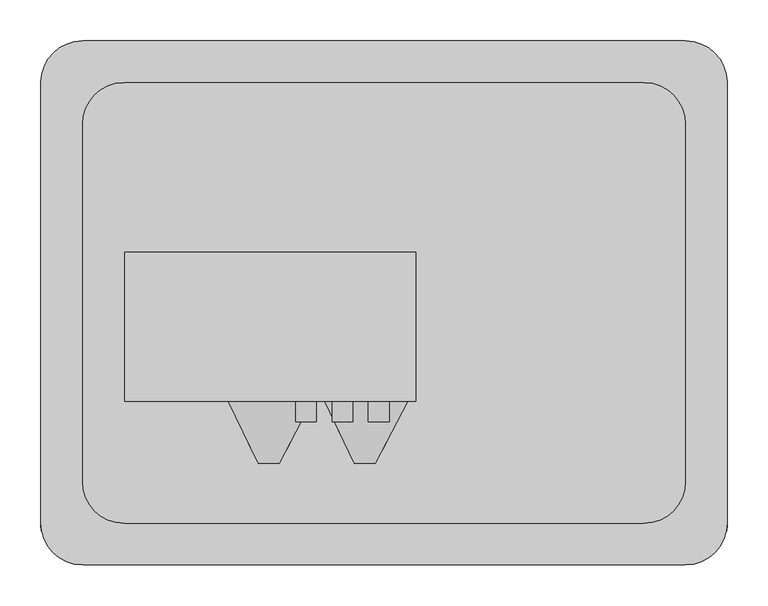
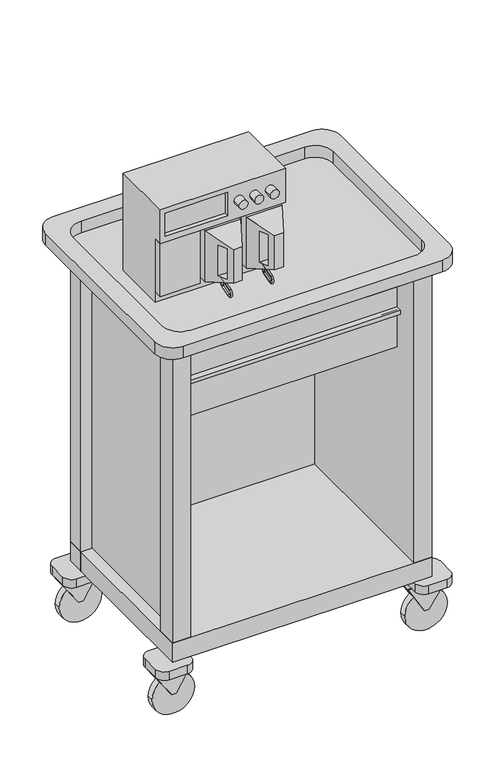
"""IFC4 building model written with IfcOpenShell, lengths in millimetres: proxy geometry."""

from ifc_helpers import new_model, si_unit, point, frame, frame_2d, origin, place, context, project, spatial, polyline, circle_curve, ellipse_curve, trimmed, segment, composite_curve, outline, extrude, faceted_brep, source, transform, mapped, element, save
from ifc_brep_helpers import plane_surface, cylinder_surface, revolved_surface, advanced_brep


def specialty_equipment_c300f8e5(model_context):
    return source(origin(), model_context, "Body", "SolidModel", [
        extrude(outline(polyline([(138.1125, 419.1), (138.1125, 306.3875), (60.3746094, 352.3753906), (60.3746094, 365.0753906), (138.1125, 419.1)])), frame((0.0, 238.125, 0.0), z_axis=(0.0, 1.0, 0.0), x_axis=(0.0, 0.0, 1.0)), (0.0, 0.0, 1.0), 3.175),
        extrude(outline(polyline([(138.1125, 419.1), (138.1125, 306.3875), (60.3746094, 352.3753906), (60.3746094, 365.0753906), (138.1125, 419.1)])), frame((0.0, 215.9, 0.0), z_axis=(0.0, 1.0, 0.0), x_axis=(0.0, 0.0, 1.0)), (0.0, 0.0, 1.0), 3.175),
        extrude(outline(composite_curve([segment(trimmed(circle_curve(frame_2d((60.3746094, 358.7253906)), 60.3746094), [point((60.3746094, 419.1))], [point((60.3746094, 298.3507813))], False, "CARTESIAN"), True, "CONTINUOUS"), segment(trimmed(circle_curve(frame_2d((60.3746094, 358.7253906)), 60.3746094), [point((60.3746094, 298.3507813))], [point((60.3746094, 419.1))], False, "CARTESIAN"), True, "CONTINUOUS")], self_intersect=False)), frame((0.0, 219.075, 0.0), z_axis=(0.0, 1.0, 0.0), x_axis=(0.0, 0.0, 1.0)), (0.0, 0.0, 1.0), 19.05),
        extrude(outline(composite_curve([segment(polyline([(393.7, 177.8), (342.9, 177.8)]), True, "CONTINUOUS"), segment(trimmed(circle_curve(frame_2d((342.9, 203.2)), 25.4), [point((342.9, 177.8))], [point((317.5, 203.2))], False, "CARTESIAN"), True, "CONTINUOUS"), segment(polyline([(317.5, 203.2), (317.5, 254.0)]), True, "CONTINUOUS"), segment(trimmed(circle_curve(frame_2d((342.9, 254.0)), 25.4), [point((317.5, 254.0))], [point((342.9, 279.4))], False, "CARTESIAN"), True, "CONTINUOUS"), segment(polyline([(342.9, 279.4), (393.7, 279.4)]), True, "CONTINUOUS"), segment(trimmed(circle_curve(frame_2d((393.7, 254.0)), 25.4), [point((393.7, 279.4))], [point((419.1, 254.0))], False, "CARTESIAN"), True, "CONTINUOUS"), segment(polyline([(419.1, 254.0), (419.1, 203.2)]), True, "CONTINUOUS"), segment(trimmed(circle_curve(frame_2d((393.7, 203.2)), 25.4), [point((419.1, 203.2))], [point((393.7, 177.8))], False, "CARTESIAN"), True, "CONTINUOUS")], self_intersect=False)), frame((0.0, 0.0, 138.1125), z_axis=(0.0, 0.0, 1.0), x_axis=(1.0, 0.0, 0.0)), (0.0, 0.0, 1.0), 25.4),
        extrude(outline(polyline([(138.1125, 419.1), (138.1125, 306.3875), (60.3746094, 352.3753906), (60.3746094, 365.0753906), (138.1125, 419.1)])), frame((0.0, -219.075, 0.0), z_axis=(0.0, 1.0, 0.0), x_axis=(0.0, 0.0, 1.0)), (0.0, 0.0, 1.0), 3.175),
        extrude(outline(polyline([(138.1125, 419.1), (138.1125, 306.3875), (60.3746094, 352.3753906), (60.3746094, 365.0753906), (138.1125, 419.1)])), frame((0.0, -241.3, 0.0), z_axis=(0.0, 1.0, 0.0), x_axis=(0.0, 0.0, 1.0)), (0.0, 0.0, 1.0), 3.175),
        extrude(outline(composite_curve([segment(trimmed(circle_curve(frame_2d((60.3746094, 358.7253906)), 60.3746094), [point((60.3746094, 419.1))], [point((60.3746094, 298.3507813))], False, "CARTESIAN"), True, "CONTINUOUS"), segment(trimmed(circle_curve(frame_2d((60.3746094, 358.7253906)), 60.3746094), [point((60.3746094, 298.3507813))], [point((60.3746094, 419.1))], False, "CARTESIAN"), True, "CONTINUOUS")], self_intersect=False)), frame((0.0, -238.125, 0.0), z_axis=(0.0, 1.0, 0.0), x_axis=(0.0, 0.0, 1.0)), (0.0, 0.0, 1.0), 19.05),
        extrude(outline(composite_curve([segment(polyline([(393.7, -279.4), (342.9, -279.4)]), True, "CONTINUOUS"), segment(trimmed(circle_curve(frame_2d((342.9, -254.0)), 25.4), [point((342.9, -279.4))], [point((317.5, -254.0))], False, "CARTESIAN"), True, "CONTINUOUS"), segment(polyline([(317.5, -254.0), (317.5, -203.2)]), True, "CONTINUOUS"), segment(trimmed(circle_curve(frame_2d((342.9, -203.2)), 25.4), [point((317.5, -203.2))], [point((342.9, -177.8))], False, "CARTESIAN"), True, "CONTINUOUS"), segment(polyline([(342.9, -177.8), (393.7, -177.8)]), True, "CONTINUOUS"), segment(trimmed(circle_curve(frame_2d((393.7, -203.2)), 25.4), [point((393.7, -177.8))], [point((419.1, -203.2))], False, "CARTESIAN"), True, "CONTINUOUS"), segment(polyline([(419.1, -203.2), (419.1, -254.0)]), True, "CONTINUOUS"), segment(trimmed(circle_curve(frame_2d((393.7, -254.0)), 25.4), [point((419.1, -254.0))], [point((393.7, -279.4))], False, "CARTESIAN"), True, "CONTINUOUS")], self_intersect=False)), frame((0.0, 0.0, 138.1125), z_axis=(0.0, 0.0, 1.0), x_axis=(1.0, 0.0, 0.0)), (0.0, 0.0, 1.0), 25.4),
        extrude(outline(polyline([(138.1125, -419.1), (60.3746094, -365.0753906), (60.3746094, -352.3753906), (138.1125, -306.3875), (138.1125, -419.1)])), frame((0.0, -219.075, 0.0), z_axis=(0.0, 1.0, 0.0), x_axis=(0.0, 0.0, 1.0)), (0.0, 0.0, 1.0), 3.175),
        extrude(outline(polyline([(138.1125, -419.1), (60.3746094, -365.0753906), (60.3746094, -352.3753906), (138.1125, -306.3875), (138.1125, -419.1)])), frame((0.0, -241.3, 0.0), z_axis=(0.0, 1.0, 0.0), x_axis=(0.0, 0.0, 1.0)), (0.0, 0.0, 1.0), 3.175),
        extrude(outline(composite_curve([segment(trimmed(circle_curve(frame_2d((60.3746094, -358.7253906)), 60.3746094), [point((60.3746094, -419.1))], [point((60.3746094, -298.3507812))], False, "CARTESIAN"), True, "CONTINUOUS"), segment(trimmed(circle_curve(frame_2d((60.3746094, -358.7253906)), 60.3746094), [point((60.3746094, -298.3507812))], [point((60.3746094, -419.1))], False, "CARTESIAN"), True, "CONTINUOUS")], self_intersect=False)), frame((0.0, -238.125, 0.0), z_axis=(0.0, 1.0, 0.0), x_axis=(0.0, 0.0, 1.0)), (0.0, 0.0, 1.0), 19.05),
        extrude(outline(composite_curve([segment(trimmed(circle_curve(frame_2d((-393.7, -254.0)), 25.4), [point((-393.7, -279.4))], [point((-419.1, -254.0))], False, "CARTESIAN"), True, "CONTINUOUS"), segment(polyline([(-419.1, -254.0), (-419.1, -203.2)]), True, "CONTINUOUS"), segment(trimmed(circle_curve(frame_2d((-393.7, -203.2)), 25.4), [point((-419.1, -203.2))], [point((-393.7, -177.8))], False, "CARTESIAN"), True, "CONTINUOUS"), segment(polyline([(-393.7, -177.8), (-342.9, -177.8)]), True, "CONTINUOUS"), segment(trimmed(circle_curve(frame_2d((-342.9, -203.2)), 25.4), [point((-342.9, -177.8))], [point((-317.5, -203.2))], False, "CARTESIAN"), True, "CONTINUOUS"), segment(polyline([(-317.5, -203.2), (-317.5, -254.0)]), True, "CONTINUOUS"), segment(trimmed(circle_curve(frame_2d((-342.9, -254.0)), 25.4), [point((-317.5, -254.0))], [point((-342.9, -279.4))], False, "CARTESIAN"), True, "CONTINUOUS"), segment(polyline([(-342.9, -279.4), (-393.7, -279.4)]), True, "CONTINUOUS")], self_intersect=False)), frame((0.0, 0.0, 138.1125), z_axis=(0.0, 0.0, 1.0), x_axis=(1.0, 0.0, 0.0)), (0.0, 0.0, 1.0), 25.4),
        extrude(outline(polyline([(138.1125, -419.1), (60.3746094, -365.0753906), (60.3746094, -352.3753906), (138.1125, -306.3875), (138.1125, -419.1)])), frame((0.0, 238.125, 0.0), z_axis=(0.0, 1.0, 0.0), x_axis=(0.0, 0.0, 1.0)), (0.0, 0.0, 1.0), 3.175),
        extrude(outline(polyline([(138.1125, -419.1), (60.3746094, -365.0753906), (60.3746094, -352.3753906), (138.1125, -306.3875), (138.1125, -419.1)])), frame((0.0, 215.9, 0.0), z_axis=(0.0, 1.0, 0.0), x_axis=(0.0, 0.0, 1.0)), (0.0, 0.0, 1.0), 3.175),
        extrude(outline(composite_curve([segment(trimmed(circle_curve(frame_2d((60.3746094, -358.7253906)), 60.3746094), [point((60.3746094, -419.1))], [point((60.3746094, -298.3507812))], False, "CARTESIAN"), True, "CONTINUOUS"), segment(trimmed(circle_curve(frame_2d((60.3746094, -358.7253906)), 60.3746094), [point((60.3746094, -298.3507812))], [point((60.3746094, -419.1))], False, "CARTESIAN"), True, "CONTINUOUS")], self_intersect=False)), frame((0.0, 219.075, 0.0), z_axis=(0.0, 1.0, 0.0), x_axis=(0.0, 0.0, 1.0)), (0.0, 0.0, 1.0), 19.05),
        extrude(outline(composite_curve([segment(trimmed(circle_curve(frame_2d((-393.7, 203.2)), 25.4), [point((-393.7, 177.8))], [point((-419.1, 203.2))], False, "CARTESIAN"), True, "CONTINUOUS"), segment(polyline([(-419.1, 203.2), (-419.1, 254.0)]), True, "CONTINUOUS"), segment(trimmed(circle_curve(frame_2d((-393.7, 254.0)), 25.4), [point((-419.1, 254.0))], [point((-393.7, 279.4))], False, "CARTESIAN"), True, "CONTINUOUS"), segment(polyline([(-393.7, 279.4), (-342.9, 279.4)]), True, "CONTINUOUS"), segment(trimmed(circle_curve(frame_2d((-342.9, 254.0)), 25.4), [point((-342.9, 279.4))], [point((-317.5, 254.0))], False, "CARTESIAN"), True, "CONTINUOUS"), segment(polyline([(-317.5, 254.0), (-317.5, 203.2)]), True, "CONTINUOUS"), segment(trimmed(circle_curve(frame_2d((-342.9, 203.2)), 25.4), [point((-317.5, 203.2))], [point((-342.9, 177.8))], False, "CARTESIAN"), True, "CONTINUOUS"), segment(polyline([(-342.9, 177.8), (-393.7, 177.8)]), True, "CONTINUOUS")], self_intersect=False)), frame((0.0, 0.0, 138.1125), z_axis=(0.0, 0.0, 1.0), x_axis=(1.0, 0.0, 0.0)), (0.0, 0.0, 1.0), 25.4),
        extrude(outline(polyline([(368.3, -250.825), (-368.3, -250.825), (-368.3, 250.825), (368.3, 250.825), (368.3, -250.825)])), frame((0.0, 0.0, 163.5125), z_axis=(0.0, 0.0, 1.0), x_axis=(1.0, 0.0, 0.0)), (0.0, 0.0, 1.0), 58.2295),
        extrude(outline(polyline([(368.3, -250.825), (-368.3, -250.825), (-368.3, 250.825), (368.3, 250.825), (368.3, -250.825)])), frame((0.0, 0.0, 1072.642), z_axis=(0.0, 0.0, 1.0), x_axis=(1.0, 0.0, 0.0)), (0.0, 0.0, 1.0), 24.4179663),
        extrude(outline(composite_curve([segment(trimmed(circle_curve(frame_2d((368.3, 287.575)), 50.8), [point((368.3, 338.375))], [point((419.1, 287.575))], False, "CARTESIAN"), True, "CONTINUOUS"), segment(polyline([(419.1, 287.575), (419.1, -250.825)]), True, "CONTINUOUS"), segment(trimmed(circle_curve(frame_2d((368.3, -250.825)), 50.8), [point((419.1, -250.825))], [point((368.3, -301.625))], False, "CARTESIAN"), True, "CONTINUOUS"), segment(polyline([(368.3, -301.625), (-368.3, -301.625)]), True, "CONTINUOUS"), segment(trimmed(circle_curve(frame_2d((-368.3, -250.825)), 50.8), [point((-368.3, -301.625))], [point((-419.1, -250.825))], False, "CARTESIAN"), True, "CONTINUOUS"), segment(polyline([(-419.1, -250.825), (-419.1, 287.575)]), True, "CONTINUOUS"), segment(trimmed(circle_curve(frame_2d((-368.3, 287.575)), 50.8), [point((-419.1, 287.575))], [point((-368.3, 338.375))], False, "CARTESIAN"), True, "CONTINUOUS"), segment(polyline([(-368.3, 338.375), (368.3, 338.375)]), True, "CONTINUOUS")], self_intersect=False), holes=[composite_curve([segment(polyline([(-317.5, -250.825), (317.5, -250.825)]), True, "CONTINUOUS"), segment(trimmed(circle_curve(frame_2d((317.5, -200.025)), 50.8), [point((317.5, -250.825))], [point((368.3, -200.025))], True, "CARTESIAN"), True, "CONTINUOUS"), segment(polyline([(368.3, -200.025), (368.3, 236.775)]), True, "CONTINUOUS"), segment(trimmed(circle_curve(frame_2d((317.5, 236.775)), 50.8), [point((368.3, 236.775))], [point((317.5, 287.575))], True, "CARTESIAN"), True, "CONTINUOUS"), segment(polyline([(317.5, 287.575), (-317.5, 287.575)]), True, "CONTINUOUS"), segment(trimmed(circle_curve(frame_2d((-317.5, 236.775)), 50.8), [point((-317.5, 287.575))], [point((-368.3, 236.775))], True, "CARTESIAN"), True, "CONTINUOUS"), segment(polyline([(-368.3, 236.775), (-368.3, -200.025)]), True, "CONTINUOUS"), segment(trimmed(circle_curve(frame_2d((-317.5, -200.025)), 50.8), [point((-368.3, -200.025))], [point((-317.5, -250.825))], True, "CARTESIAN"), True, "CONTINUOUS")], self_intersect=False)]), frame((0.0, 0.0, 1107.9757812), z_axis=(0.0, 0.0, 1.0), x_axis=(1.0, 0.0, 0.0)), (0.0, 0.0, 1.0), 35.0242188),
        extrude(outline(polyline([(-317.5, 250.825), (-317.5, 244.475), (317.5, 244.475), (317.5, 250.825), (368.3, 250.825), (368.3, 200.025), (336.55, 200.025), (336.55, -200.025), (368.3, -200.025), (368.3, -250.825), (317.5, -250.825), (317.5, 238.5553757), (-317.5, 238.5553757), (-317.5, -250.825), (-368.3, -250.825), (-368.3, -191.7898438), (-336.55, -191.7898438), (-336.55, 200.025), (-368.3, 200.025), (-368.3, 250.825), (-317.5, 250.825)])), frame((0.0, 0.0, 163.5125), z_axis=(0.0, 0.0, 1.0), x_axis=(1.0, 0.0, 0.0)), (0.0, 0.0, 1.0), 909.1295),
        faceted_brep([(-10.6602722, -177.8, 1282.7797422), (-36.0602722, -177.8, 1282.7797422), (-36.0602722, -177.8, 1181.1797422), (-10.6602722, -177.8, 1181.1797422), (29.0921264, -101.6, 1305.157624), (29.0921264, -101.6, 1152.757624), (-72.5078736, -101.6, 1152.757624), (-72.5078736, -101.6, 1305.157624), (-55.7519714, -136.6311049, 1278.170124), (-44.4409634, -160.278719, 1278.170124), (-44.4409634, -160.278719, 1185.8845934), (-55.7519714, -136.6311049, 1185.8845934), (-1.5196823, -160.278719, 1278.170124), (10.8169237, -136.6311049, 1278.170124), (10.8169237, -136.6311049, 1185.8845934), (-1.5196823, -160.278719, 1185.8845934)], [[[0, 1, 2, 3]], [[4, 5, 6, 7]], [[1, 0, 4, 7]], [[2, 1, 7, 6], [8, 9, 10, 11]], [[3, 2, 6, 5]], [[0, 3, 5, 4], [12, 13, 14, 15]], [[8, 13, 12, 9]], [[9, 12, 15, 10]], [[10, 15, 14, 11]], [[13, 8, 11, 14]]]),
        faceted_brep([(-128.1352722, -177.8, 1282.7797422), (-153.5352722, -177.8, 1282.7797422), (-153.5352722, -177.8, 1181.1797422), (-128.1352722, -177.8, 1181.1797422), (-88.3828736, -101.6, 1305.157624), (-88.3828736, -101.6, 1152.757624), (-189.9828736, -101.6, 1152.757624), (-189.9828736, -101.6, 1305.157624), (-173.2269714, -136.6311049, 1278.170124), (-161.9159634, -160.278719, 1278.170124), (-161.9159634, -160.278719, 1185.8845934), (-173.2269714, -136.6311049, 1185.8845934), (-118.9946823, -160.278719, 1278.170124), (-106.6580763, -136.6311049, 1278.170124), (-106.6580763, -136.6311049, 1185.8845934), (-118.9946823, -160.278719, 1185.8845934)], [[[0, 1, 2, 3]], [[4, 5, 6, 7]], [[1, 0, 4, 7]], [[2, 1, 7, 6], [8, 9, 10, 11]], [[3, 2, 6, 5]], [[0, 3, 5, 4], [12, 13, 14, 15]], [[8, 13, 12, 9]], [[9, 12, 15, 10]], [[10, 15, 14, 11]], [[13, 8, 11, 14]]]),
        faceted_brep([(38.6171264, 80.1135865, 1413.107624), (38.6171264, -101.6, 1413.107624), (38.6171264, -101.6, 1311.507624), (38.6171264, -76.2, 1311.507624), (38.6171264, -76.2, 1121.007624), (38.6171264, 80.1135865, 1121.007624), (-316.9828736, 80.1135865, 1413.107624), (-316.9828736, 80.1135865, 1121.007624), (-316.9828736, -76.2, 1121.007624), (-316.9828736, -76.2, 1311.507624), (-316.9828736, -101.6, 1311.507624), (-316.9828736, -101.6, 1413.107624), (-303.148102, -101.6, 1398.3748295), (-125.348102, -101.6, 1398.3748295), (-125.348102, -101.6, 1328.5248295), (-303.148102, -101.6, 1328.5248295), (-125.348102, -88.9, 1398.3748295), (-303.148102, -88.9, 1398.3748295), (-303.148102, -88.9, 1328.5248295), (-125.348102, -88.9, 1328.5248295)], [[[0, 1, 2, 3, 4, 5]], [[6, 7, 8, 9, 10, 11]], [[1, 0, 6, 11]], [[2, 1, 11, 10], [12, 13, 14, 15]], [[3, 2, 10, 9]], [[4, 3, 9, 8]], [[5, 4, 8, 7]], [[0, 5, 7, 6]], [[16, 17, 18, 19]], [[17, 16, 13, 12]], [[18, 17, 12, 15]], [[19, 18, 15, 14]], [[16, 19, 14, 13]]]),
        advanced_brep(
        [(-24.039891, -88.9, 1152.757624), (-19.3758562, -88.9, 1152.757624), (-24.039891, -88.9, 1151.1063768), (-19.3758562, -88.9, 1151.1063768), (-19.3758562, -93.3934397, 1145.0338416), (-24.039891, -93.3934397, 1145.0338416), (-24.039891, -137.4802816, 1131.5551414), (-19.3758562, -137.4802816, 1131.5551414), (-19.3758562, -131.6756293, 1112.5689793), (-24.039891, -131.6756293, 1112.5689793), (-24.039891, -102.0245653, 1121.6342193), (-19.3758562, -102.0245653, 1121.6342193), (-19.3758562, -99.3909976, 1123.2166264), (-24.039891, -99.3909976, 1123.2166264), (-24.039891, -84.4098719, 1138.1977521), (-19.3758562, -84.4098719, 1138.1977521), (-19.3758562, -79.9197439, 1140.057624), (-24.039891, -79.9197439, 1140.057624), (-24.039891, -76.2, 1140.057624), (-19.3758562, -76.2, 1140.057624)],
        [
            (0, 1, circle_curve(frame((-21.7078736, -88.9, 1152.757624), z_axis=(0.0, 0.0, 1.0), x_axis=(1.0, 0.0, 0.0)), 2.3320174)),
            (1, 0, circle_curve(frame((-21.7078736, -88.9, 1152.757624), z_axis=(0.0, 0.0, 1.0), x_axis=(1.0, 0.0, 0.0)), 2.3320174)),
            (0, 2),
            (2, 3, circle_curve(frame((-21.7078736, -88.9, 1151.1063768), z_axis=(0.0, 0.0, 1.0), x_axis=(1.0, 0.0, 0.0)), 2.3320174)),
            (3, 1),
            (3, 2, circle_curve(frame((-21.7078736, -88.9, 1151.1063768), z_axis=(0.0, 0.0, 1.0), x_axis=(1.0, 0.0, 0.0)), 2.3320174)),
            (4, 3, circle_curve(frame((-19.3758562, -95.25, 1151.1063768), z_axis=(1.0, 0.0, 0.0), x_axis=(0.0, 1.0, 0.0)), 6.35)),
            (2, 5, circle_curve(frame((-24.039891, -95.25, 1151.1063768), z_axis=(-1.0, 0.0, 0.0), x_axis=(0.0, 1.0, 0.0)), 6.35)),
            (5, 4, circle_curve(frame((-21.7078736, -93.3934397, 1145.0338416), z_axis=(0.0, 0.9563047559630374, 0.2923717047227304), x_axis=(1.0, 0.0, 0.0)), 2.3320174)),
            (4, 5, circle_curve(frame((-21.7078736, -93.3934397, 1145.0338416), z_axis=(0.0, 0.9563047559630374, 0.2923717047227304), x_axis=(1.0, 0.0, 0.0)), 2.3320174)),
            (5, 6),
            (6, 7, circle_curve(frame((-21.7078736, -137.4802816, 1131.5551414), z_axis=(0.0, 0.9563047559630355, 0.2923717047227365), x_axis=(1.0, 0.0, 0.0)), 2.3320174)),
            (7, 4),
            (7, 6, circle_curve(frame((-21.7078736, -137.4802816, 1131.5551414), z_axis=(0.0, 0.9563047559630355, 0.2923717047227365), x_axis=(1.0, 0.0, 0.0)), 2.3320174)),
            (8, 7, circle_curve(frame((-19.3758562, -134.5779555, 1122.0620603), z_axis=(-1.0, 0.0, 0.0), x_axis=(0.0, -0.29237170472273516, 0.956304755963036)), 9.9268366)),
            (6, 9, circle_curve(frame((-24.039891, -134.5779555, 1122.0620603), z_axis=(1.0, 0.0, 0.0), x_axis=(0.0, -0.29237170472273516, 0.956304755963036)), 9.9268366)),
            (9, 8, circle_curve(frame((-21.7078736, -131.6756293, 1112.5689793), z_axis=(0.0, -0.9563047559630359, -0.2923717047227355), x_axis=(1.0, 0.0, 0.0)), 2.3320174)),
            (8, 9, circle_curve(frame((-21.7078736, -131.6756293, 1112.5689793), z_axis=(0.0, -0.956304755963036, -0.29237170472273505), x_axis=(1.0, 0.0, 0.0)), 2.3320174)),
            (9, 10),
            (10, 11, circle_curve(frame((-21.7078736, -102.0245653, 1121.6342193), z_axis=(0.0, -0.9563047559630355, -0.29237170472273655), x_axis=(1.0, 0.0, 0.0)), 2.3320174)),
            (11, 8),
            (11, 10, circle_curve(frame((-21.7078736, -102.0245653, 1121.6342193), z_axis=(0.0, -0.9563047559630355, -0.29237170472273655), x_axis=(1.0, 0.0, 0.0)), 2.3320174)),
            (12, 11, circle_curve(frame((-19.3758562, -103.8811256, 1127.7067545), z_axis=(-1.0, 0.0, 0.0), x_axis=(0.0, 0.2923717047227333, -0.9563047559630365)), 6.35)),
            (10, 13, circle_curve(frame((-24.039891, -103.8811256, 1127.7067545), z_axis=(1.0, 0.0, 0.0), x_axis=(0.0, 0.2923717047227333, -0.9563047559630365)), 6.35)),
            (13, 12, circle_curve(frame((-21.7078736, -99.3909976, 1123.2166264), z_axis=(0.0, -0.7071067811865359, -0.7071067811865592), x_axis=(1.0, 0.0, 0.0)), 2.3320174)),
            (12, 13, circle_curve(frame((-21.7078736, -99.3909976, 1123.2166264), z_axis=(0.0, -0.7071067811865359, -0.7071067811865592), x_axis=(1.0, 0.0, 0.0)), 2.3320174)),
            (13, 14),
            (14, 15, circle_curve(frame((-21.7078736, -84.4098719, 1138.1977521), z_axis=(0.0, -0.7071067811865482, -0.7071067811865469), x_axis=(1.0, 0.0, 0.0)), 2.3320174)),
            (15, 12),
            (15, 14, circle_curve(frame((-21.7078736, -84.4098719, 1138.1977521), z_axis=(0.0, -0.7071067811865482, -0.7071067811865469), x_axis=(1.0, 0.0, 0.0)), 2.3320174)),
            (16, 15, circle_curve(frame((-19.3758562, -79.9197439, 1133.707624), z_axis=(1.0, 0.0, 0.0), x_axis=(0.0, -0.7071067811865487, 0.7071067811865464)), 6.35)),
            (14, 17, circle_curve(frame((-24.039891, -79.9197439, 1133.707624), z_axis=(-1.0, 0.0, 0.0), x_axis=(0.0, -0.7071067811865487, 0.7071067811865464)), 6.35)),
            (17, 16, circle_curve(frame((-21.7078736, -79.9197439, 1140.057624), z_axis=(0.0, -1.0, 0.0), x_axis=(1.0, 0.0, 0.0)), 2.3320174)),
            (16, 17, circle_curve(frame((-21.7078736, -79.9197439, 1140.057624), z_axis=(0.0, -1.0, 0.0), x_axis=(1.0, 0.0, 0.0)), 2.3320174)),
            (18, 19, circle_curve(frame((-21.7078736, -76.2, 1140.057624), z_axis=(0.0, 1.0, 0.0), x_axis=(1.0, 0.0, 0.0)), 2.3320174)),
            (19, 18, circle_curve(frame((-21.7078736, -76.2, 1140.057624), z_axis=(0.0, 1.0, 0.0), x_axis=(1.0, 0.0, 0.0)), 2.3320174)),
            (17, 18),
            (19, 16),
        ],
        [
            plane_surface(frame((-21.7078736, -88.9, 1152.757624), z_axis=(0.0, 0.0, 1.0), x_axis=(1.0, 0.0, 0.0))),
            cylinder_surface(frame((-21.7078736, -88.9, 1152.757624), z_axis=(0.0, 0.0, 1.0), x_axis=(1.0, 0.0, 0.0)), 2.3320174),
            revolved_surface(trimmed(ellipse_curve(frame((-21.7078736, -88.9, 1151.1063768), z_axis=(0.0, 0.0, 1.0), x_axis=(1.0, 0.0, 0.0)), 2.3320174, 2.3320174), [point((-24.039891, -88.9, 1151.1063768))], [point((-19.3758562, -88.9, 1151.1063768))], True, "CARTESIAN"), (-21.7078736, -95.25, 1151.1063768), (-1.0, 0.0, 0.0)),
            revolved_surface(trimmed(ellipse_curve(frame((-21.7078736, -88.9, 1151.1063768), z_axis=(0.0, 0.0, 1.0), x_axis=(1.0, 0.0, 0.0)), 2.3320174, 2.3320174), [point((-19.3758562, -88.9, 1151.1063768))], [point((-24.039891, -88.9, 1151.1063768))], True, "CARTESIAN"), (-21.7078736, -95.25, 1151.1063768), (-1.0, 0.0, 0.0)),
            cylinder_surface(frame((-21.7078736, -93.3934397, 1145.0338416), z_axis=(0.0, 0.9563047559630355, 0.2923717047227365), x_axis=(1.0, 0.0, 0.0)), 2.3320174),
            revolved_surface(trimmed(ellipse_curve(frame((-21.7078736, -137.4802816, 1131.5551414), z_axis=(0.0, 0.956304755963036, 0.29237170472273516), x_axis=(1.0, 0.0, 0.0)), 2.3320174, 2.3320174), [point((-24.039891, -137.4802816, 1131.5551414))], [point((-19.3758562, -137.4802816, 1131.5551414))], True, "CARTESIAN"), (-21.7078736, -134.5779555, 1122.0620603), (1.0, 0.0, 0.0)),
            revolved_surface(trimmed(ellipse_curve(frame((-21.7078736, -137.4802816, 1131.5551414), z_axis=(0.0, 0.956304755963036, 0.29237170472273516), x_axis=(1.0, 0.0, 0.0)), 2.3320174, 2.3320174), [point((-19.3758562, -137.4802816, 1131.5551414))], [point((-24.039891, -137.4802816, 1131.5551414))], True, "CARTESIAN"), (-21.7078736, -134.5779555, 1122.0620603), (1.0, 0.0, 0.0)),
            cylinder_surface(frame((-21.7078736, -131.6756293, 1112.5689793), z_axis=(0.0, -0.9563047559630355, -0.29237170472273655), x_axis=(1.0, 0.0, 0.0)), 2.3320174),
            revolved_surface(trimmed(ellipse_curve(frame((-21.7078736, -102.0245653, 1121.6342193), z_axis=(0.0, -0.9563047559630365, -0.29237170472273344), x_axis=(1.0, 0.0, 0.0)), 2.3320174, 2.3320174), [point((-24.039891, -102.0245653, 1121.6342193))], [point((-19.3758562, -102.0245653, 1121.6342193))], True, "CARTESIAN"), (-21.7078736, -103.8811256, 1127.7067545), (1.0, 0.0, 0.0)),
            revolved_surface(trimmed(ellipse_curve(frame((-21.7078736, -102.0245653, 1121.6342193), z_axis=(0.0, -0.9563047559630365, -0.29237170472273344), x_axis=(1.0, 0.0, 0.0)), 2.3320174, 2.3320174), [point((-19.3758562, -102.0245653, 1121.6342193))], [point((-24.039891, -102.0245653, 1121.6342193))], True, "CARTESIAN"), (-21.7078736, -103.8811256, 1127.7067545), (1.0, 0.0, 0.0)),
            cylinder_surface(frame((-21.7078736, -99.3909976, 1123.2166264), z_axis=(0.0, -0.7071067811865482, -0.7071067811865469), x_axis=(1.0, 0.0, 0.0)), 2.3320174),
            revolved_surface(trimmed(ellipse_curve(frame((-21.7078736, -84.4098719, 1138.1977521), z_axis=(0.0, -0.7071067811865465, -0.7071067811865486), x_axis=(1.0, 0.0, 0.0)), 2.3320174, 2.3320174), [point((-24.039891, -84.4098719, 1138.1977521))], [point((-19.3758562, -84.4098719, 1138.1977521))], True, "CARTESIAN"), (-21.7078736, -79.9197439, 1133.707624), (-1.0, 0.0, 0.0)),
            revolved_surface(trimmed(ellipse_curve(frame((-21.7078736, -84.4098719, 1138.1977521), z_axis=(0.0, -0.7071067811865465, -0.7071067811865486), x_axis=(1.0, 0.0, 0.0)), 2.3320174, 2.3320174), [point((-19.3758562, -84.4098719, 1138.1977521))], [point((-24.039891, -84.4098719, 1138.1977521))], True, "CARTESIAN"), (-21.7078736, -79.9197439, 1133.707624), (-1.0, 0.0, 0.0)),
            plane_surface(frame((-21.7078736, -76.2, 1140.057624), z_axis=(0.0, 1.0, 0.0), x_axis=(1.0, 0.0, 0.0))),
            cylinder_surface(frame((-21.7078736, -79.9197439, 1140.057624), z_axis=(0.0, -1.0, 0.0), x_axis=(1.0, 0.0, 0.0)), 2.3320174),
        ],
        [
            (0, [[1, 2]]),
            (1, [[-1, 3, 4, 5]]),
            (1, [[-2, -5, 6, -3]]),
            (2, [[7, -4, 8, 9]]),
            (3, [[-8, -6, -7, 10]]),
            (4, [[-9, 11, 12, 13]]),
            (4, [[-10, -13, 14, -11]]),
            (5, [[15, -12, 16, 17]]),
            (6, [[-16, -14, -15, 18]]),
            (7, [[-17, 19, 20, 21]]),
            (7, [[-18, -21, 22, -19]]),
            (8, [[23, -20, 24, 25]]),
            (9, [[-24, -22, -23, 26]]),
            (10, [[-25, 27, 28, 29]]),
            (10, [[-26, -29, 30, -27]]),
            (11, [[31, -28, 32, 33]]),
            (12, [[-32, -30, -31, 34]]),
            (13, [[35, 36]]),
            (14, [[-33, 37, -36, 38]]),
            (14, [[-34, -38, -35, -37]]),
        ],
    ),
        advanced_brep(
        [(-141.514891, -88.9, 1152.757624), (-136.8508562, -88.9, 1152.757624), (-141.514891, -88.9, 1151.1063768), (-136.8508562, -88.9, 1151.1063768), (-136.8508562, -93.3934397, 1145.0338416), (-141.514891, -93.3934397, 1145.0338416), (-141.514891, -137.4802816, 1131.5551414), (-136.8508562, -137.4802816, 1131.5551414), (-136.8508562, -131.6756293, 1112.5689793), (-141.514891, -131.6756293, 1112.5689793), (-141.514891, -102.0245653, 1121.6342193), (-136.8508562, -102.0245653, 1121.6342193), (-136.8508562, -99.3909976, 1123.2166264), (-141.514891, -99.3909976, 1123.2166264), (-141.514891, -84.4098719, 1138.1977521), (-136.8508562, -84.4098719, 1138.1977521), (-136.8508562, -79.9197439, 1140.057624), (-141.514891, -79.9197439, 1140.057624), (-141.514891, -76.2, 1140.057624), (-136.8508562, -76.2, 1140.057624)],
        [
            (0, 1, circle_curve(frame((-139.1828736, -88.9, 1152.757624), z_axis=(0.0, 0.0, 1.0), x_axis=(1.0, 0.0, 0.0)), 2.3320174)),
            (1, 0, circle_curve(frame((-139.1828736, -88.9, 1152.757624), z_axis=(0.0, 0.0, 1.0), x_axis=(1.0, 0.0, 0.0)), 2.3320174)),
            (0, 2),
            (2, 3, circle_curve(frame((-139.1828736, -88.9, 1151.1063768), z_axis=(0.0, 0.0, 1.0), x_axis=(1.0, 0.0, 0.0)), 2.3320174)),
            (3, 1),
            (3, 2, circle_curve(frame((-139.1828736, -88.9, 1151.1063768), z_axis=(0.0, 0.0, 1.0), x_axis=(1.0, 0.0, 0.0)), 2.3320174)),
            (4, 3, circle_curve(frame((-136.8508562, -95.25, 1151.1063768), z_axis=(1.0, 0.0, 0.0), x_axis=(0.0, 1.0, 0.0)), 6.35)),
            (2, 5, circle_curve(frame((-141.514891, -95.25, 1151.1063768), z_axis=(-1.0, 0.0, 0.0), x_axis=(0.0, 1.0, 0.0)), 6.35)),
            (5, 4, circle_curve(frame((-139.1828736, -93.3934397, 1145.0338416), z_axis=(0.0, 0.9563047559630374, 0.2923717047227304), x_axis=(1.0, 0.0, 0.0)), 2.3320174)),
            (4, 5, circle_curve(frame((-139.1828736, -93.3934397, 1145.0338416), z_axis=(0.0, 0.9563047559630374, 0.2923717047227304), x_axis=(1.0, 0.0, 0.0)), 2.3320174)),
            (5, 6),
            (6, 7, circle_curve(frame((-139.1828736, -137.4802816, 1131.5551414), z_axis=(0.0, 0.9563047559630355, 0.2923717047227365), x_axis=(1.0, 0.0, 0.0)), 2.3320174)),
            (7, 4),
            (7, 6, circle_curve(frame((-139.1828736, -137.4802816, 1131.5551414), z_axis=(0.0, 0.9563047559630355, 0.2923717047227365), x_axis=(1.0, 0.0, 0.0)), 2.3320174)),
            (8, 7, circle_curve(frame((-136.8508562, -134.5779555, 1122.0620603), z_axis=(-1.0, 0.0, 0.0), x_axis=(0.0, -0.29237170472273516, 0.956304755963036)), 9.9268366)),
            (6, 9, circle_curve(frame((-141.514891, -134.5779555, 1122.0620603), z_axis=(1.0, 0.0, 0.0), x_axis=(0.0, -0.29237170472273516, 0.956304755963036)), 9.9268366)),
            (9, 8, circle_curve(frame((-139.1828736, -131.6756293, 1112.5689793), z_axis=(0.0, -0.956304755963036, -0.29237170472273505), x_axis=(1.0, 0.0, 0.0)), 2.3320174)),
            (8, 9, circle_curve(frame((-139.1828736, -131.6756293, 1112.5689793), z_axis=(0.0, -0.956304755963036, -0.29237170472273505), x_axis=(1.0, 0.0, 0.0)), 2.3320174)),
            (9, 10),
            (10, 11, circle_curve(frame((-139.1828736, -102.0245653, 1121.6342193), z_axis=(0.0, -0.9563047559630355, -0.29237170472273655), x_axis=(1.0, 0.0, 0.0)), 2.3320174)),
            (11, 8),
            (11, 10, circle_curve(frame((-139.1828736, -102.0245653, 1121.6342193), z_axis=(0.0, -0.9563047559630355, -0.29237170472273655), x_axis=(1.0, 0.0, 0.0)), 2.3320174)),
            (12, 11, circle_curve(frame((-136.8508562, -103.8811256, 1127.7067545), z_axis=(-1.0, 0.0, 0.0), x_axis=(0.0, 0.2923717047227333, -0.9563047559630365)), 6.35)),
            (10, 13, circle_curve(frame((-141.514891, -103.8811256, 1127.7067545), z_axis=(1.0, 0.0, 0.0), x_axis=(0.0, 0.2923717047227333, -0.9563047559630365)), 6.35)),
            (13, 12, circle_curve(frame((-139.1828736, -99.3909976, 1123.2166264), z_axis=(0.0, -0.7071067811865426, -0.7071067811865526), x_axis=(1.0, 0.0, 0.0)), 2.3320174)),
            (12, 13, circle_curve(frame((-139.1828736, -99.3909976, 1123.2166264), z_axis=(0.0, -0.7071067811865426, -0.7071067811865526), x_axis=(1.0, 0.0, 0.0)), 2.3320174)),
            (13, 14),
            (14, 15, circle_curve(frame((-139.1828736, -84.4098719, 1138.1977521), z_axis=(0.0, -0.7071067811865481, -0.707106781186547), x_axis=(1.0, 0.0, 0.0)), 2.3320174)),
            (15, 12),
            (15, 14, circle_curve(frame((-139.1828736, -84.4098719, 1138.1977521), z_axis=(0.0, -0.7071067811865481, -0.707106781186547), x_axis=(1.0, 0.0, 0.0)), 2.3320174)),
            (16, 15, circle_curve(frame((-136.8508562, -79.9197439, 1133.707624), z_axis=(1.0, 0.0, 0.0), x_axis=(0.0, -0.7071067811865502, 0.7071067811865448)), 6.35)),
            (14, 17, circle_curve(frame((-141.514891, -79.9197439, 1133.707624), z_axis=(-1.0, 0.0, 0.0), x_axis=(0.0, -0.7071067811865502, 0.7071067811865448)), 6.35)),
            (17, 16, circle_curve(frame((-139.1828736, -79.9197439, 1140.057624), z_axis=(0.0, -1.0, 0.0), x_axis=(1.0, 0.0, 0.0)), 2.3320174)),
            (16, 17, circle_curve(frame((-139.1828736, -79.9197439, 1140.057624), z_axis=(0.0, -1.0, 0.0), x_axis=(1.0, 0.0, 0.0)), 2.3320174)),
            (18, 19, circle_curve(frame((-139.1828736, -76.2, 1140.057624), z_axis=(0.0, 1.0, 0.0), x_axis=(1.0, 0.0, 0.0)), 2.3320174)),
            (19, 18, circle_curve(frame((-139.1828736, -76.2, 1140.057624), z_axis=(0.0, 1.0, 0.0), x_axis=(1.0, 0.0, 0.0)), 2.3320174)),
            (17, 18),
            (19, 16),
        ],
        [
            plane_surface(frame((-139.1828736, -88.9, 1152.757624), z_axis=(0.0, 0.0, 1.0), x_axis=(1.0, 0.0, 0.0))),
            cylinder_surface(frame((-139.1828736, -88.9, 1152.757624), z_axis=(0.0, 0.0, 1.0), x_axis=(1.0, 0.0, 0.0)), 2.3320174),
            revolved_surface(trimmed(ellipse_curve(frame((-139.1828736, -88.9, 1151.1063768), z_axis=(0.0, 0.0, 1.0), x_axis=(1.0, 0.0, 0.0)), 2.3320174, 2.3320174), [point((-141.514891, -88.9, 1151.1063768))], [point((-136.8508562, -88.9, 1151.1063768))], True, "CARTESIAN"), (-139.1828736, -95.25, 1151.1063768), (-1.0, 0.0, 0.0)),
            revolved_surface(trimmed(ellipse_curve(frame((-139.1828736, -88.9, 1151.1063768), z_axis=(0.0, 0.0, 1.0), x_axis=(1.0, 0.0, 0.0)), 2.3320174, 2.3320174), [point((-136.8508562, -88.9, 1151.1063768))], [point((-141.514891, -88.9, 1151.1063768))], True, "CARTESIAN"), (-139.1828736, -95.25, 1151.1063768), (-1.0, 0.0, 0.0)),
            cylinder_surface(frame((-139.1828736, -93.3934397, 1145.0338416), z_axis=(0.0, 0.9563047559630355, 0.2923717047227365), x_axis=(1.0, 0.0, 0.0)), 2.3320174),
            revolved_surface(trimmed(ellipse_curve(frame((-139.1828736, -137.4802816, 1131.5551414), z_axis=(0.0, 0.956304755963036, 0.29237170472273516), x_axis=(1.0, 0.0, 0.0)), 2.3320174, 2.3320174), [point((-141.514891, -137.4802816, 1131.5551414))], [point((-136.8508562, -137.4802816, 1131.5551414))], True, "CARTESIAN"), (-139.1828736, -134.5779555, 1122.0620603), (1.0, 0.0, 0.0)),
            revolved_surface(trimmed(ellipse_curve(frame((-139.1828736, -137.4802816, 1131.5551414), z_axis=(0.0, 0.956304755963036, 0.29237170472273516), x_axis=(1.0, 0.0, 0.0)), 2.3320174, 2.3320174), [point((-136.8508562, -137.4802816, 1131.5551414))], [point((-141.514891, -137.4802816, 1131.5551414))], True, "CARTESIAN"), (-139.1828736, -134.5779555, 1122.0620603), (1.0, 0.0, 0.0)),
            cylinder_surface(frame((-139.1828736, -131.6756293, 1112.5689793), z_axis=(0.0, -0.9563047559630355, -0.29237170472273655), x_axis=(1.0, 0.0, 0.0)), 2.3320174),
            revolved_surface(trimmed(ellipse_curve(frame((-139.1828736, -102.0245653, 1121.6342193), z_axis=(0.0, -0.9563047559630365, -0.29237170472273344), x_axis=(1.0, 0.0, 0.0)), 2.3320174, 2.3320174), [point((-141.514891, -102.0245653, 1121.6342193))], [point((-136.8508562, -102.0245653, 1121.6342193))], True, "CARTESIAN"), (-139.1828736, -103.8811256, 1127.7067545), (1.0, 0.0, 0.0)),
            revolved_surface(trimmed(ellipse_curve(frame((-139.1828736, -102.0245653, 1121.6342193), z_axis=(0.0, -0.9563047559630365, -0.29237170472273344), x_axis=(1.0, 0.0, 0.0)), 2.3320174, 2.3320174), [point((-136.8508562, -102.0245653, 1121.6342193))], [point((-141.514891, -102.0245653, 1121.6342193))], True, "CARTESIAN"), (-139.1828736, -103.8811256, 1127.7067545), (1.0, 0.0, 0.0)),
            cylinder_surface(frame((-139.1828736, -99.3909976, 1123.2166264), z_axis=(0.0, -0.7071067811865481, -0.707106781186547), x_axis=(1.0, 0.0, 0.0)), 2.3320174),
            revolved_surface(trimmed(ellipse_curve(frame((-139.1828736, -84.4098719, 1138.1977521), z_axis=(0.0, -0.7071067811865447, -0.7071067811865503), x_axis=(1.0, 0.0, 0.0)), 2.3320174, 2.3320174), [point((-141.514891, -84.4098719, 1138.1977521))], [point((-136.8508562, -84.4098719, 1138.1977521))], True, "CARTESIAN"), (-139.1828736, -79.9197439, 1133.707624), (-1.0, 0.0, 0.0)),
            revolved_surface(trimmed(ellipse_curve(frame((-139.1828736, -84.4098719, 1138.1977521), z_axis=(0.0, -0.7071067811865447, -0.7071067811865503), x_axis=(1.0, 0.0, 0.0)), 2.3320174, 2.3320174), [point((-136.8508562, -84.4098719, 1138.1977521))], [point((-141.514891, -84.4098719, 1138.1977521))], True, "CARTESIAN"), (-139.1828736, -79.9197439, 1133.707624), (-1.0, 0.0, 0.0)),
            plane_surface(frame((-139.1828736, -76.2, 1140.057624), z_axis=(0.0, 1.0, 0.0), x_axis=(1.0, 0.0, 0.0))),
            cylinder_surface(frame((-139.1828736, -79.9197439, 1140.057624), z_axis=(0.0, -1.0, 0.0), x_axis=(1.0, 0.0, 0.0)), 2.3320174),
        ],
        [
            (0, [[1, 2]]),
            (1, [[-1, 3, 4, 5]]),
            (1, [[-2, -5, 6, -3]]),
            (2, [[7, -4, 8, 9]]),
            (3, [[-8, -6, -7, 10]]),
            (4, [[-9, 11, 12, 13]]),
            (4, [[-10, -13, 14, -11]]),
            (5, [[15, -12, 16, 17]]),
            (6, [[-16, -14, -15, 18]]),
            (7, [[-17, 19, 20, 21]]),
            (7, [[-18, -21, 22, -19]]),
            (8, [[23, -20, 24, 25]]),
            (9, [[-24, -22, -23, 26]]),
            (10, [[-25, 27, 28, 29]]),
            (10, [[-26, -29, 30, -27]]),
            (11, [[31, -28, 32, 33]]),
            (12, [[-32, -30, -31, 34]]),
            (13, [[35, 36]]),
            (14, [[-33, 37, -36, 38]]),
            (14, [[-34, -38, -35, -37]]),
        ],
    ),
        extrude(outline(composite_curve([segment(trimmed(circle_curve(frame_2d((1365.9465823, -6.3258111)), 12.7), [point((1365.9465823, -19.0258111))], [point((1365.9465823, 6.3741889))], False, "CARTESIAN"), True, "CONTINUOUS"), segment(trimmed(circle_curve(frame_2d((1365.9465823, -6.3258111)), 12.7), [point((1365.9465823, 6.3741889))], [point((1365.9465823, -19.0258111))], False, "CARTESIAN"), True, "CONTINUOUS")], self_intersect=False)), frame((0.0, -127.0, 0.0), z_axis=(0.0, 1.0, 0.0), x_axis=(0.0, 0.0, 1.0)), (0.0, 0.0, 1.0), 25.4),
        extrude(outline(composite_curve([segment(trimmed(circle_curve(frame_2d((1365.9465823, -50.7758111)), 12.7), [point((1365.9465823, -63.4758111))], [point((1365.9465823, -38.0758111))], False, "CARTESIAN"), True, "CONTINUOUS"), segment(trimmed(circle_curve(frame_2d((1365.9465823, -50.7758111)), 12.7), [point((1365.9465823, -38.0758111))], [point((1365.9465823, -63.4758111))], False, "CARTESIAN"), True, "CONTINUOUS")], self_intersect=False)), frame((0.0, -127.0, 0.0), z_axis=(0.0, 1.0, 0.0), x_axis=(0.0, 0.0, 1.0)), (0.0, 0.0, 1.0), 25.4),
        extrude(outline(composite_curve([segment(trimmed(circle_curve(frame_2d((1365.9465823, -95.2258111)), 12.7), [point((1365.9465823, -107.9258111))], [point((1365.9465823, -82.5258111))], False, "CARTESIAN"), True, "CONTINUOUS"), segment(trimmed(circle_curve(frame_2d((1365.9465823, -95.2258111)), 12.7), [point((1365.9465823, -82.5258111))], [point((1365.9465823, -107.9258111))], False, "CARTESIAN"), True, "CONTINUOUS")], self_intersect=False)), frame((0.0, -127.0, 0.0), z_axis=(0.0, 1.0, 0.0), x_axis=(0.0, 0.0, 1.0)), (0.0, 0.0, 1.0), 25.4),
        extrude(outline(polyline([(29.0921264, -101.6), (-72.5078736, -101.6), (-72.5078736, -76.2), (29.0921264, -76.2), (29.0921264, -101.6)])), frame((0.0, 0.0, 1152.757624), z_axis=(0.0, 0.0, 1.0), x_axis=(1.0, 0.0, 0.0)), (0.0, 0.0, 1.0), 152.4),
        extrude(outline(polyline([(-88.3828736, -101.6), (-189.9828736, -101.6), (-189.9828736, -76.2), (-88.3828736, -76.2), (-88.3828736, -101.6)])), frame((0.0, 0.0, 1152.757624), z_axis=(0.0, 0.0, 1.0), x_axis=(1.0, 0.0, 0.0)), (0.0, 0.0, 1.0), 152.4),
        extrude(outline(polyline([(-203.4689055, -101.6), (-316.9828736, -101.6), (-316.9828736, -76.2), (-203.4689055, -76.2), (-203.4689055, -101.6)])), frame((0.0, 0.0, 1152.757624), z_axis=(0.0, 0.0, 1.0), x_axis=(1.0, 0.0, 0.0)), (0.0, 0.0, 1.0), 158.75),
        extrude(outline(composite_curve([segment(polyline([(-206.375, 957.1128865), (162.0242188, 957.1128865)]), True, "CONTINUOUS"), segment(trimmed(circle_curve(frame_2d((162.0242188, 934.8585339)), 22.2543527), [point((162.0242188, 957.1128865))], [point((184.15, 932.4698065))], False, "CARTESIAN"), True, "CONTINUOUS"), segment(polyline([(184.15, 932.4698065), (177.7481628, 932.4698065)]), True, "CONTINUOUS"), segment(trimmed(circle_curve(frame_2d((162.0242188, 934.8585339)), 15.9043527), [point((177.7481628, 932.4698065))], [point((162.0242188, 950.7628865))], True, "CARTESIAN"), True, "CONTINUOUS"), segment(polyline([(162.0242188, 950.7628865), (158.75, 950.7628865), (158.75, 946.0130865), (-206.375, 946.0130865), (-206.375, 957.1128865)]), True, "CONTINUOUS")], self_intersect=False)), frame((-304.8, 0.0, 0.0), z_axis=(1.0, 0.0, 0.0), x_axis=(0.0, 1.0, 0.0)), (0.0, 0.0, 1.0), 609.6),
        extrude(outline(polyline([(-298.45, 158.75), (298.45, 158.75), (298.45, -200.025), (-298.45, -200.025), (-298.45, 158.75)])), frame((0.0, 0.0, 846.05), z_axis=(0.0, 0.0, 1.0), x_axis=(1.0, 0.0, 0.0)), (0.0, 0.0, 1.0), 111.0628865),
        extrude(outline(composite_curve([segment(polyline([(-206.375, 1042.1128865), (162.0242188, 1042.1128865)]), True, "CONTINUOUS"), segment(trimmed(circle_curve(frame_2d((162.0242188, 1019.8585339)), 22.2543527), [point((162.0242188, 1042.1128865))], [point((184.15, 1017.4698065))], False, "CARTESIAN"), True, "CONTINUOUS"), segment(polyline([(184.15, 1017.4698065), (177.7481628, 1017.4698065)]), True, "CONTINUOUS"), segment(trimmed(circle_curve(frame_2d((162.0242188, 1019.8585339)), 15.9043527), [point((177.7481628, 1017.4698065))], [point((162.0242188, 1035.7628865))], True, "CARTESIAN"), True, "CONTINUOUS"), segment(polyline([(162.0242188, 1035.7628865), (158.75, 1035.7628865), (158.75, 1031.0130865), (-206.375, 1031.0130865), (-206.375, 1042.1128865)]), True, "CONTINUOUS")], self_intersect=False)), frame((-304.8, 0.0, 0.0), z_axis=(1.0, 0.0, 0.0), x_axis=(0.0, 1.0, 0.0)), (0.0, 0.0, 1.0), 609.6),
        extrude(outline(polyline([(-298.45, 158.75), (298.45, 158.75), (298.45, -200.025), (-298.45, -200.025), (-298.45, 158.75)])), frame((0.0, 0.0, 965.9128865), z_axis=(0.0, 0.0, 1.0), x_axis=(1.0, 0.0, 0.0)), (0.0, 0.0, 1.0), 76.2),
        extrude(outline(composite_curve([segment(polyline([(-317.5, 287.575), (317.5, 287.575)]), True, "CONTINUOUS"), segment(trimmed(circle_curve(frame_2d((317.5, 236.775)), 50.8), [point((317.5, 287.575))], [point((368.3, 236.775))], False, "CARTESIAN"), True, "CONTINUOUS"), segment(polyline([(368.3, 236.775), (368.3, -200.025)]), True, "CONTINUOUS"), segment(trimmed(circle_curve(frame_2d((317.5, -200.025)), 50.8), [point((368.3, -200.025))], [point((317.5, -250.825))], False, "CARTESIAN"), True, "CONTINUOUS"), segment(polyline([(317.5, -250.825), (-317.5, -250.825)]), True, "CONTINUOUS"), segment(trimmed(circle_curve(frame_2d((-317.5, -200.025)), 50.8), [point((-317.5, -250.825))], [point((-368.3, -200.025))], False, "CARTESIAN"), True, "CONTINUOUS"), segment(polyline([(-368.3, -200.025), (-368.3, 236.775)]), True, "CONTINUOUS"), segment(trimmed(circle_curve(frame_2d((-317.5, 236.775)), 50.8), [point((-368.3, 236.775))], [point((-317.5, 287.575))], False, "CARTESIAN"), True, "CONTINUOUS")], self_intersect=False)), frame((0.0, 0.0, 1072.642), z_axis=(0.0, 0.0, 1.0), x_axis=(1.0, 0.0, 0.0)), (0.0, 0.0, 1.0), 35.306),
    ])


if __name__ == "__main__":
    model = new_model("IFC4")
    model_context = context("Model", 3, world=origin())
    ifc_project = project(units=[si_unit("LENGTHUNIT", "METRE", prefix="MILLI")], contexts=[model_context])
    site = spatial("IfcSite", under=ifc_project)
    building = spatial("IfcBuilding", under=site)
    placement = place(None, origin())
    specialty_equipment_shape = specialty_equipment_c300f8e5(model_context)
    element("IfcBuildingElementProxy", 1, Name="Specialty Equipment", at=placement, inside=building, context=model_context, shape_type="MappedRepresentation", body=[
        mapped(specialty_equipment_shape, transform((0.0, 0.0, 0.0), x_axis=(1.0, 0.0, 0.0), y_axis=(0.0, 1.0, 0.0), z_axis=(0.0, 0.0, 1.0))),
    ])
    save(model, "model.ifc")
